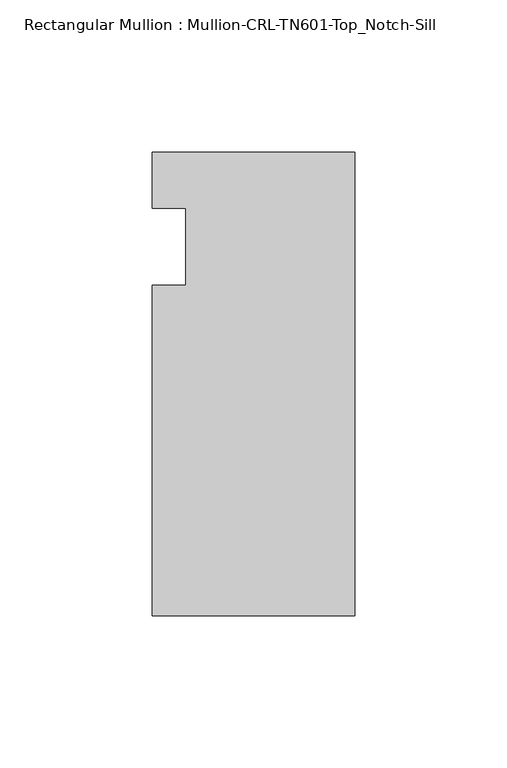
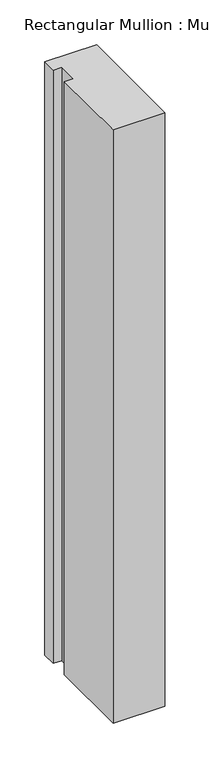
"""IFC4 building model written with IfcOpenShell, lengths in millimetres: member geometry, Rectangular Mullion : Mullion-CRL-TN601-Top_Notch-Sill."""

from ifc_helpers import new_model, si_unit, frame, origin, place, context, project, spatial, polyline, outline, extrude, source, transform, mapped, element, save


def rectangular_mullion_mullion_crl_tn601_top_notch_sill_3edecb70(model_context):
    return source(origin(), model_context, "Body", "SweptSolid", [
        extrude(outline(polyline([(0.0, 31.140391), (0.0, -121.259591), (-66.675, -121.259591), (-66.675, -12.7), (-55.5625, -12.7), (-55.5625, 12.7), (-66.675, 12.7), (-66.675, 31.140391), (0.0, 31.140391)])), frame((0.0, 0.0, -807.7376293), z_axis=(0.0, 0.0, 1.0), x_axis=(1.0, 0.0, 0.0)), (0.0, 0.0, 1.0), 807.7376293),
    ])


if __name__ == "__main__":
    model = new_model("IFC4")
    model_context = context("Model", 3, world=origin())
    ifc_project = project(units=[si_unit("LENGTHUNIT", "METRE", prefix="MILLI")], contexts=[model_context])
    site = spatial("IfcSite", under=ifc_project)
    building = spatial("IfcBuilding", under=site)
    placement = place(None, origin())
    rectangular_mullion_mullion_crl_tn601_top_notch_sill_shape = rectangular_mullion_mullion_crl_tn601_top_notch_sill_3edecb70(model_context)
    element("IfcMember", 1, ObjectType="Rectangular Mullion : Mullion-CRL-TN601-Top_Notch-Sill", at=placement, inside=building, context=model_context, shape_type="MappedRepresentation", body=[
        mapped(rectangular_mullion_mullion_crl_tn601_top_notch_sill_shape, transform((0.0, 0.0, 0.0), x_axis=(1.0, 0.0, 0.0), y_axis=(0.0, 1.0, 0.0), z_axis=(0.0, 0.0, 1.0))),
    ])
    save(model, "model.ifc")
